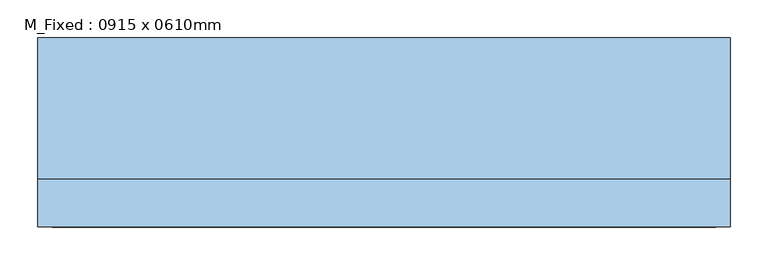
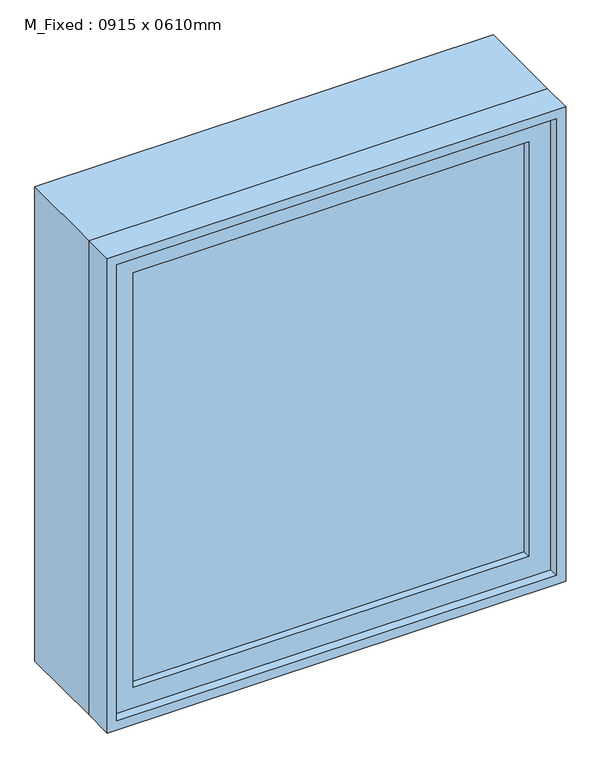
"""IFC4 building model written with IfcOpenShell, lengths in millimetres: window geometry, M_Fixed : 0915 x 0610mm."""

from ifc_helpers import new_model, si_unit, frame, origin, place, context, project, spatial, polyline, outline, extrude, source, transform, mapped, element, save


def m_fixed_0915_x_0610mm_e316ce5f(model_context):
    return source(origin(), model_context, "Body", "SweptSolid", [
        extrude(outline(polyline([(-394.5, -103.0), (-394.5, -91.0), (394.5, -91.0), (394.5, -103.0), (-394.5, -103.0)])), frame((0.0, 0.0, 978.0), z_axis=(0.0, 0.0, 1.0), x_axis=(1.0, 0.0, 0.0)), (0.0, 0.0, 1.0), 874.0),
        extrude(outline(polyline([(1896.0, -438.5), (934.0, -438.5), (934.0, 438.5), (1896.0, 438.5), (1896.0, -438.5)]), holes=[polyline([(1852.0, -394.5), (1852.0, 394.5), (978.0, 394.5), (978.0, -394.5), (1852.0, -394.5)])]), frame((0.0, -119.0, 0.0), z_axis=(0.0, 1.0, 0.0), x_axis=(0.0, 0.0, 1.0)), (0.0, 0.0, 1.0), 44.0),
        extrude(outline(polyline([(1915.0, -457.5), (915.0, -457.5), (915.0, 457.5), (1915.0, 457.5), (1915.0, -457.5)]), holes=[polyline([(1896.0, -438.5), (1896.0, 438.5), (934.0, 438.5), (934.0, -438.5), (1896.0, -438.5)])]), frame((0.0, -138.0, 0.0), z_axis=(0.0, 1.0, 0.0), x_axis=(0.0, 0.0, 1.0)), (0.0, 0.0, 1.0), 63.0),
        extrude(outline(polyline([(1915.0, -457.5), (915.0, -457.5), (915.0, 457.5), (1915.0, 457.5), (1915.0, -457.5)]), holes=[polyline([(1883.0, -425.5), (1883.0, 425.5), (947.0, 425.5), (947.0, -425.5), (1883.0, -425.5)])]), frame((0.0, -75.0, 0.0), z_axis=(0.0, 1.0, 0.0), x_axis=(0.0, 0.0, 1.0)), (0.0, 0.0, 1.0), 187.0),
    ])


if __name__ == "__main__":
    model = new_model("IFC4")
    model_context = context("Model", 3, world=origin())
    ifc_project = project(units=[si_unit("LENGTHUNIT", "METRE", prefix="MILLI")], contexts=[model_context])
    site = spatial("IfcSite", under=ifc_project)
    building = spatial("IfcBuilding", under=site)
    placement = place(None, origin())
    m_fixed_0915_x_0610mm_shape = m_fixed_0915_x_0610mm_e316ce5f(model_context)
    element("IfcWindow", 1, ObjectType="M_Fixed : 0915 x 0610mm", at=placement, inside=building, context=model_context, shape_type="MappedRepresentation", body=[
        mapped(m_fixed_0915_x_0610mm_shape, transform((0.0, 0.0, 0.0), x_axis=(1.0, 0.0, 0.0), y_axis=(0.0, 1.0, 0.0), z_axis=(0.0, 0.0, 1.0))),
    ])
    save(model, "model.ifc")
